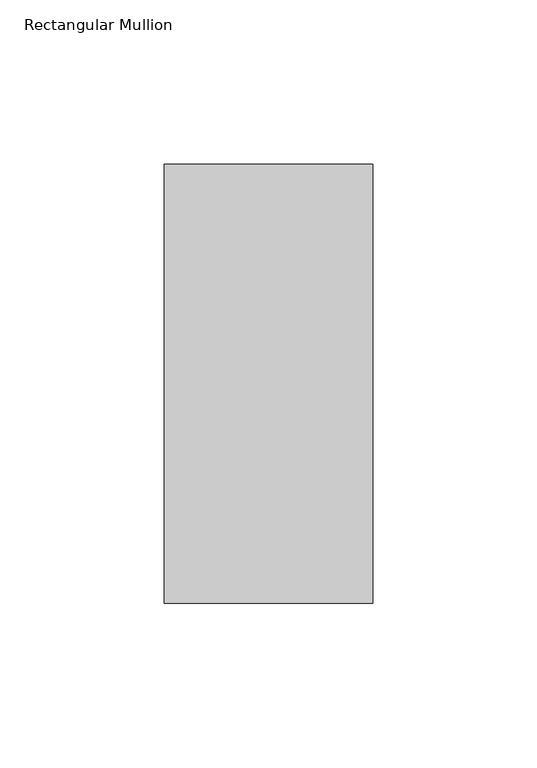
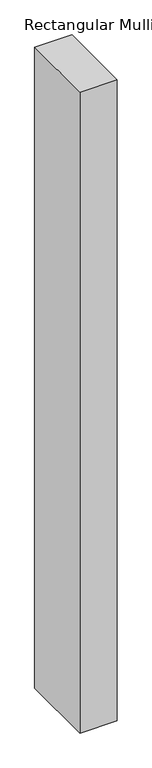
"""IFC4 building model written with IfcOpenShell, lengths in millimetres: member geometry, Rectangular Mullion."""

import ifcopenshell
import ifcopenshell.guid

model = None  # the IFC model being written
_history = None  # IfcOwnerHistory: only IFC2X3 demands one
_inside = {}  # id of a spatial element -> (the spatial element, [elements in it])
_under = {}  # id of a project, library or spatial element -> (it, [spatial elements below it])
_declared = {}  # id of a project -> (the project, [libraries it declares])
_typed = {}  # id of a type object -> (the type object, [elements of that type])
_made_of = {}  # id of a material, layer set ... -> (it, [elements and type objects made of it])


def new_model(schema):
    """Start an empty IFC model of exactly this schema.

    Asked for "IFC4X3", IfcOpenShell would pick the latest addendum, in which some entities
    have other attributes; the version numbers below select the first issue.
    IFC2X3 requires an IfcOwnerHistory on every rooted entity: one is made here for all.
    """
    global model, _history
    if schema == "IFC4X3":
        model = ifcopenshell.file(schema_version=(4, 3, 0, 0))
    else:
        model = ifcopenshell.file(schema=schema)
    _inside.clear()
    _under.clear()
    _declared.clear()
    _typed.clear()
    _made_of.clear()
    _history = None
    if model.schema == "IFC2X3":
        org = make("IfcOrganization", Name="unknown")
        user = make(
            "IfcPersonAndOrganization",
            ThePerson=make("IfcPerson", FamilyName="unknown"),
            TheOrganization=org,
        )
        app = make(
            "IfcApplication",
            ApplicationDeveloper=org,
            Version="unknown",
            ApplicationFullName="unknown",
            ApplicationIdentifier="unknown",
        )
        _history = make(
            "IfcOwnerHistory",
            OwningUser=user,
            OwningApplication=app,
            ChangeAction="ADDED",
            CreationDate=0,
        )
    return model


def make(cls, **values):
    """One entity of the class cls with the attributes given. An attribute that is None is left unset."""
    return model.create_entity(
        cls, **{name: value for name, value in values.items() if value is not None}
    )


def rooted(cls, **values):
    """An entity with a GlobalId (a new one), such as an element, a storey or a relation."""
    return make(cls, GlobalId=ifcopenshell.guid.new(), OwnerHistory=_history, **values)


def si_unit(unit_type, name, prefix=None):
    """IfcSIUnit, for example si_unit("LENGTHUNIT", "METRE", prefix="MILLI")."""
    return make("IfcSIUnit", UnitType=unit_type, Prefix=prefix, Name=name)


def assignment(units):
    """IfcUnitAssignment: the units of a project."""
    return None if units is None else make("IfcUnitAssignment", Units=units)


def point(xyz):
    """IfcCartesianPoint."""
    return None if xyz is None else make("IfcCartesianPoint", Coordinates=xyz)


def direction(xyz):
    """IfcDirection."""
    return None if xyz is None else make("IfcDirection", DirectionRatios=xyz)


def frame(location, z_axis=None, x_axis=None):
    """IfcAxis2Placement3D, a coordinate frame: its origin and axes. An axis left out is left unset."""
    return make(
        "IfcAxis2Placement3D",
        Location=point(location),
        Axis=direction(z_axis),
        RefDirection=direction(x_axis),
    )


def origin():
    """The frame at (0, 0, 0) with its axes left unset."""
    return frame((0.0, 0.0, 0.0))


def place(relative_to, where):
    """IfcLocalPlacement: puts the frame where relative to a parent placement (None: the world)."""
    return make(
        "IfcLocalPlacement", PlacementRelTo=relative_to, RelativePlacement=where
    )


def context(
    kind, dimensions, precision=None, world=None, true_north=None, identifier=None
):
    """IfcGeometricRepresentationContext, for example the 3D "Model" context."""
    return make(
        "IfcGeometricRepresentationContext",
        ContextIdentifier=identifier,
        ContextType=kind,
        CoordinateSpaceDimension=dimensions,
        Precision=precision,
        WorldCoordinateSystem=world,
        TrueNorth=true_north,
    )


def project(units=None, contexts=None):
    """IfcProject with its units and contexts."""
    return rooted(
        "IfcProject",
        Name="project",
        RepresentationContexts=contexts,
        UnitsInContext=assignment(units),
    )


def spatial(cls, under=None, at=None, **own):
    """A site, building, storey or space (cls), placed at a placement, below another one or the project."""
    s = rooted(cls, ObjectPlacement=at, **own)
    if under is not None:
        _under.setdefault(under.id(), (under, []))[1].append(s)
    return s


def polyline(points):
    """IfcPolyline through the points."""
    return make("IfcPolyline", Points=[point(p) for p in points])


def outline(outer, holes=None, kind="AREA"):
    """IfcArbitraryClosedProfileDef: a profile drawn as a closed curve; with holes, ...WithVoids."""
    if holes is None:
        return make("IfcArbitraryClosedProfileDef", ProfileType=kind, OuterCurve=outer)
    return make(
        "IfcArbitraryProfileDefWithVoids",
        ProfileType=kind,
        OuterCurve=outer,
        InnerCurves=holes,
    )


def extrude(swept, where, along, depth):
    """IfcExtrudedAreaSolid: the profile swept, set in the frame where, extruded along a direction by depth."""
    return make(
        "IfcExtrudedAreaSolid",
        SweptArea=swept,
        Position=where,
        ExtrudedDirection=direction(along),
        Depth=depth,
    )


def shape(context_of_items, identifier, shape_type, items):
    """IfcShapeRepresentation: the items that make up one representation, for example the "Body"."""
    return make(
        "IfcShapeRepresentation",
        ContextOfItems=context_of_items,
        RepresentationIdentifier=identifier,
        RepresentationType=shape_type,
        Items=items,
    )


def source(mapping_origin, context_of_items, identifier, shape_type, items):
    """IfcRepresentationMap: a shape defined once, which mapped items show again and again."""
    return make(
        "IfcRepresentationMap",
        MappingOrigin=mapping_origin,
        MappedRepresentation=shape(context_of_items, identifier, shape_type, items),
    )


def transform(
    local_origin,
    x_axis=None,
    y_axis=None,
    z_axis=None,
    scale=None,
    scale2=None,
    scale3=None,
    uniform=True,
):
    """IfcCartesianTransformationOperator3D, or its non-uniform kind. x_axis, y_axis, z_axis: its Axis1, 2, 3."""
    if uniform:
        return make(
            "IfcCartesianTransformationOperator3D",
            Axis1=direction(x_axis),
            Axis2=direction(y_axis),
            LocalOrigin=point(local_origin),
            Scale=scale,
            Axis3=direction(z_axis),
        )
    return make(
        "IfcCartesianTransformationOperator3DnonUniform",
        Axis1=direction(x_axis),
        Axis2=direction(y_axis),
        LocalOrigin=point(local_origin),
        Scale=scale,
        Axis3=direction(z_axis),
        Scale2=scale2,
        Scale3=scale3,
    )


def mapped(mapping_source, mapping_target):
    """IfcMappedItem: shows the shape of a source again, moved by a transform."""
    return make(
        "IfcMappedItem", MappingSource=mapping_source, MappingTarget=mapping_target
    )


def made_of(thing, what):
    """Note that an element or type object is made of a material, layer set ...; save() writes the relation."""
    if what is not None:
        _made_of.setdefault(what.id(), (what, []))[1].append(thing)
    return thing


def element(
    cls,
    number,
    at=None,
    inside=None,
    cuts=None,
    type_object=None,
    material=None,
    context=None,
    identifier="Body",
    shape_type=None,
    held_by="IfcProductDefinitionShape",
    body=None,
    shapes=None,
    **own,
):
    """One element of the class cls, such as IfcWall. Its Tag is "e" and its number.

    at: its placement. inside: the storey or other place that contains it. cuts: it is an
    opening in that element (IfcRelVoidsElement). A single representation is given by context,
    identifier, shape_type and body (its items); several are given by shapes. held_by: the class
    of the entity that holds the representations. save() writes the other relations.
    """
    e = rooted(cls, Tag="e%d" % number, ObjectPlacement=at, **own)
    if body is not None:
        shapes = [shape(context, identifier, shape_type, body)]
    if shapes is not None:
        e.Representation = make(held_by, Representations=shapes)
    if inside is not None:
        _inside.setdefault(inside.id(), (inside, []))[1].append(e)
    if cuts is not None:
        rooted(
            "IfcRelVoidsElement", RelatingBuildingElement=cuts, RelatedOpeningElement=e
        )
    if type_object is not None:
        _typed.setdefault(type_object.id(), (type_object, []))[1].append(e)
    return made_of(e, material)


def aggregate(whole, parts):
    """IfcRelAggregates: a whole, such as a stair, and the parts it consists of."""
    return rooted("IfcRelAggregates", RelatingObject=whole, RelatedObjects=parts)


def save(model, path):
    """Write the relations noted so far, then the file.

    IfcRelAggregates (storeys below a building ...), IfcRelContainedInSpatialStructure (elements
    in a storey), IfcRelDefinesByType, IfcRelAssociatesMaterial and IfcRelDeclares: one each for
    every whole, place, type object, material and project.
    """
    for whole, parts in _under.values():
        aggregate(whole, parts)
    for where, things in _inside.values():
        rooted(
            "IfcRelContainedInSpatialStructure",
            RelatedElements=things,
            RelatingStructure=where,
        )
    for kind, things in _typed.values():
        rooted("IfcRelDefinesByType", RelatedObjects=things, RelatingType=kind)
    for what, things in _made_of.values():
        rooted("IfcRelAssociatesMaterial", RelatedObjects=things, RelatingMaterial=what)
    for by, libraries in _declared.values():
        rooted("IfcRelDeclares", RelatingContext=by, RelatedDefinitions=libraries)
    model.write(path)


def rectangular_mullion_fd119968(model_context):
    return source(origin(), model_context, "Body", "SweptSolid", [
        extrude(outline(polyline([(31.75, 191.284225), (31.75, 57.6460937), (-31.75, 57.6460937), (-31.75, 191.284225), (31.75, 191.284225)])), frame((0.0, 0.0, -1155.7), z_axis=(0.0, 0.0, 1.0), x_axis=(1.0, 0.0, 0.0)), (0.0, 0.0, 1.0), 1155.7),
    ])


if __name__ == "__main__":
    model = new_model("IFC4")
    model_context = context("Model", 3, world=origin())
    ifc_project = project(units=[si_unit("LENGTHUNIT", "METRE", prefix="MILLI")], contexts=[model_context])
    site = spatial("IfcSite", under=ifc_project)
    building = spatial("IfcBuilding", under=site)
    placement = place(None, origin())
    rectangular_mullion_shape = rectangular_mullion_fd119968(model_context)
    element("IfcMember", 1, ObjectType="Rectangular Mullion", at=placement, inside=building, context=model_context, shape_type="MappedRepresentation", body=[
        mapped(rectangular_mullion_shape, transform((0.0, 0.0, 0.0), x_axis=(1.0, 0.0, 0.0), y_axis=(0.0, 1.0, 0.0), z_axis=(0.0, 0.0, 1.0))),
    ])
    save(model, "model.ifc")
